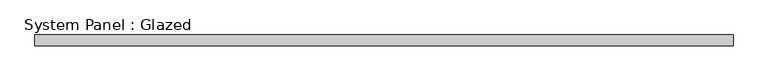
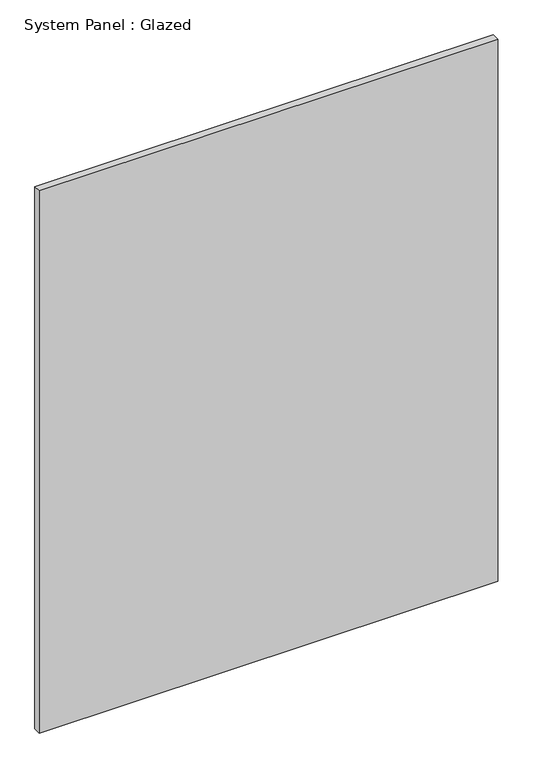
"""IFC4 building model written with IfcOpenShell, lengths in millimetres: plate geometry, System Panel : Glazed."""

from ifc_helpers import new_model, si_unit, origin, origin_with_axes, place, context, project, spatial, polyline, outline, extrude, source, transform, mapped, element, save


def system_panel_glazed_e0343e13(model_context):
    return source(origin(), model_context, "Body", "SweptSolid", [
        extrude(outline(polyline([(800.0, 24.5), (-800.0, 24.5), (-800.0, 49.5), (800.0, 49.5), (800.0, 24.5)])), origin_with_axes(), (0.0, 0.0, 1.0), 2000.0),
    ])


if __name__ == "__main__":
    model = new_model("IFC4")
    model_context = context("Model", 3, world=origin())
    ifc_project = project(units=[si_unit("LENGTHUNIT", "METRE", prefix="MILLI")], contexts=[model_context])
    site = spatial("IfcSite", under=ifc_project)
    building = spatial("IfcBuilding", under=site)
    placement = place(None, origin())
    system_panel_glazed_shape = system_panel_glazed_e0343e13(model_context)
    element("IfcPlate", 1, ObjectType="System Panel : Glazed", at=placement, inside=building, context=model_context, shape_type="MappedRepresentation", body=[
        mapped(system_panel_glazed_shape, transform((0.0, 0.0, 0.0), x_axis=(1.0, 0.0, 0.0), y_axis=(0.0, 1.0, 0.0), z_axis=(0.0, 0.0, 1.0))),
    ])
    save(model, "model.ifc")
